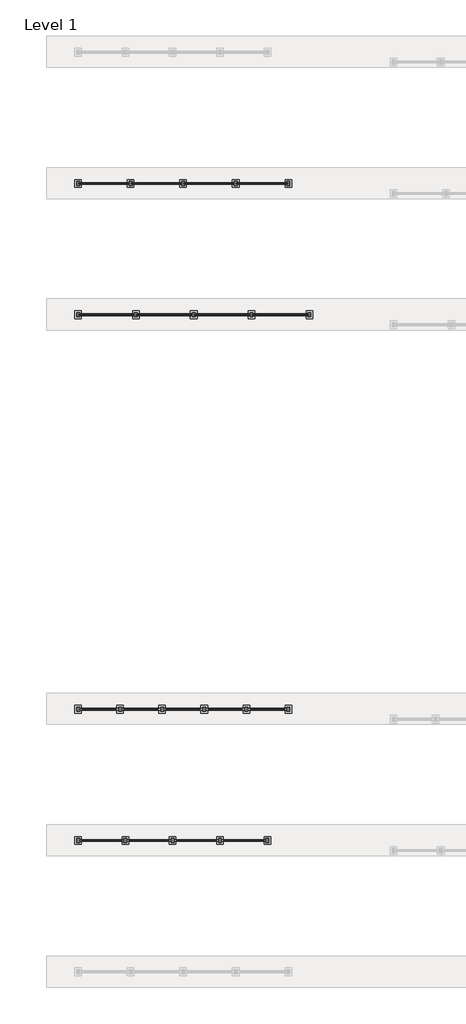
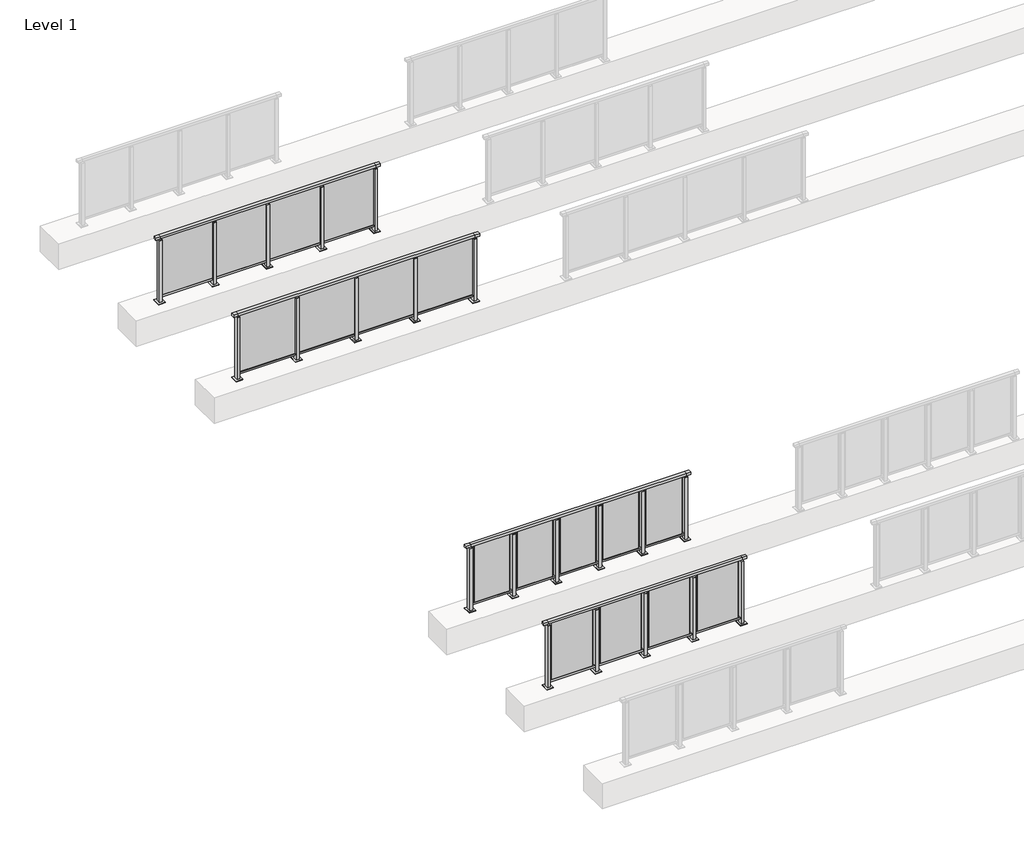
# One storey, part 32 of 38: 4 railings.
"""IFC4 building model written with IfcOpenShell, lengths in millimetres."""

from ifc_helpers import new_model, si_unit, frame, origin, origin_with_axes, place, context, project, spatial, polyline, outline, extrude, faceted_brep, element, save

model = new_model("IFC4")

# Units and contexts
model_context = context("Model", 3, world=origin())
ifc_project = project(units=[si_unit("LENGTHUNIT", "METRE", prefix="MILLI")], contexts=[model_context])

# Site, building, storey
site = spatial("IfcSite", under=ifc_project)
building = spatial("IfcBuilding", under=site)
storey = spatial("IfcBuildingStorey", under=building, Name="Level 1", Elevation=0.0)

# Railings
placement = place(None, origin())
element("IfcRailing", 1, at=placement, inside=storey, context=model_context, shape_type="SolidModel", body=[
    faceted_brep([(29476.1884576, 60220.1846828, 1252.5), (29476.1884576, 60220.1846828, 1300.0), (33876.1884576, 60220.1846828, 1300.0), (33876.1884576, 60220.1846828, 1252.5), (29476.1884576, 60160.1846828, 1252.5), (33876.1884576, 60160.1846828, 1252.5), (29476.1884576, 60160.1846828, 1300.0), (33876.1884576, 60160.1846828, 1300.0), (29388.6884576, 60220.1846828, 1300.0), (29388.6884576, 60220.1846828, 1252.5), (29388.6884576, 60160.1846828, 1252.5), (29388.6884576, 60160.1846828, 1300.0), (33963.6884576, 60220.1846828, 1300.0), (33963.6884576, 60160.1846828, 1300.0), (33963.6884576, 60160.1846828, 1252.5), (33963.6884576, 60220.1846828, 1252.5)], [[[0, 1, 2, 3]], [[4, 0, 3, 5]], [[6, 4, 5, 7]], [[1, 6, 7, 2]], [[8, 9, 10, 11]], [[9, 8, 1, 0]], [[10, 9, 0, 4]], [[11, 10, 4, 6]], [[8, 11, 6, 1]], [[12, 13, 14, 15]], [[3, 2, 12, 15]], [[5, 3, 15, 14]], [[7, 5, 14, 13]], [[2, 7, 13, 12]]]),
    extrude(outline(polyline([(29476.1884576, 60172.1846828), (29476.1884576, 60208.1846828), (33876.1884576, 60208.1846828), (33876.1884576, 60172.1846828), (29476.1884576, 60172.1846828)])), frame((0.0, 0.0, 93.0), z_axis=(0.0, 0.0, 1.0), x_axis=(1.0, 0.0, 0.0)), (0.0, 0.0, 1.0), 32.0),
    extrude(outline(polyline([(32786.1884576, 60195.9598727), (33866.1884576, 60195.9598727), (33866.1884576, 60185.9598727), (32786.1884576, 60185.9598727), (32786.1884576, 60195.9598727)])), frame((0.0, 0.0, 125.0), z_axis=(0.0, 0.0, 1.0), x_axis=(1.0, 0.0, 0.0)), (0.0, 0.0, 1.0), 1130.0),
    extrude(outline(polyline([(32803.1884576, 60151.1846828), (32749.1884576, 60151.1846828), (32749.1884576, 60229.1846828), (32803.1884576, 60229.1846828), (32803.1884576, 60151.1846828)])), frame((0.0, 0.0, 12.0), z_axis=(0.0, 0.0, 1.0), x_axis=(1.0, 0.0, 0.0)), (0.0, 0.0, 1.0), 1215.0),
    extrude(outline(polyline([(32786.1884576, 60180.1846828), (32766.1884576, 60180.1846828), (32766.1884576, 60200.1846828), (32786.1884576, 60200.1846828), (32786.1884576, 60180.1846828)])), frame((0.0, 0.0, 1235.0), z_axis=(0.0, 0.0, 1.0), x_axis=(1.0, 0.0, 0.0)), (0.0, 0.0, 1.0), 20.0),
    extrude(outline(polyline([(32803.1884576, 60151.1846828), (32749.1884576, 60151.1846828), (32749.1884576, 60229.1846828), (32803.1884576, 60229.1846828), (32803.1884576, 60151.1846828)])), frame((0.0, 0.0, 1227.0), z_axis=(0.0, 0.0, 1.0), x_axis=(1.0, 0.0, 0.0)), (0.0, 0.0, 1.0), 8.0),
    extrude(outline(polyline([(32838.6884576, 60115.1846828), (32713.6884576, 60115.1846828), (32713.6884576, 60265.1846828), (32838.6884576, 60265.1846828), (32838.6884576, 60115.1846828)])), origin_with_axes(), (0.0, 0.0, 1.0), 12.0),
    extrude(outline(polyline([(31686.1884576, 60195.9598727), (32766.1884576, 60195.9598727), (32766.1884576, 60185.9598727), (31686.1884576, 60185.9598727), (31686.1884576, 60195.9598727)])), frame((0.0, 0.0, 125.0), z_axis=(0.0, 0.0, 1.0), x_axis=(1.0, 0.0, 0.0)), (0.0, 0.0, 1.0), 1130.0),
    extrude(outline(polyline([(31703.1884576, 60151.1846828), (31649.1884576, 60151.1846828), (31649.1884576, 60229.1846828), (31703.1884576, 60229.1846828), (31703.1884576, 60151.1846828)])), frame((0.0, 0.0, 12.0), z_axis=(0.0, 0.0, 1.0), x_axis=(1.0, 0.0, 0.0)), (0.0, 0.0, 1.0), 1215.0),
    extrude(outline(polyline([(31686.1884576, 60180.1846828), (31666.1884576, 60180.1846828), (31666.1884576, 60200.1846828), (31686.1884576, 60200.1846828), (31686.1884576, 60180.1846828)])), frame((0.0, 0.0, 1235.0), z_axis=(0.0, 0.0, 1.0), x_axis=(1.0, 0.0, 0.0)), (0.0, 0.0, 1.0), 20.0),
    extrude(outline(polyline([(31703.1884576, 60151.1846828), (31649.1884576, 60151.1846828), (31649.1884576, 60229.1846828), (31703.1884576, 60229.1846828), (31703.1884576, 60151.1846828)])), frame((0.0, 0.0, 1227.0), z_axis=(0.0, 0.0, 1.0), x_axis=(1.0, 0.0, 0.0)), (0.0, 0.0, 1.0), 8.0),
    extrude(outline(polyline([(31738.6884576, 60115.1846828), (31613.6884576, 60115.1846828), (31613.6884576, 60265.1846828), (31738.6884576, 60265.1846828), (31738.6884576, 60115.1846828)])), origin_with_axes(), (0.0, 0.0, 1.0), 12.0),
    extrude(outline(polyline([(30586.1884576, 60195.9598727), (31666.1884576, 60195.9598727), (31666.1884576, 60185.9598727), (30586.1884576, 60185.9598727), (30586.1884576, 60195.9598727)])), frame((0.0, 0.0, 125.0), z_axis=(0.0, 0.0, 1.0), x_axis=(1.0, 0.0, 0.0)), (0.0, 0.0, 1.0), 1130.0),
    extrude(outline(polyline([(30603.1884576, 60151.1846828), (30549.1884576, 60151.1846828), (30549.1884576, 60229.1846828), (30603.1884576, 60229.1846828), (30603.1884576, 60151.1846828)])), frame((0.0, 0.0, 12.0), z_axis=(0.0, 0.0, 1.0), x_axis=(1.0, 0.0, 0.0)), (0.0, 0.0, 1.0), 1215.0),
    extrude(outline(polyline([(30586.1884576, 60180.1846828), (30566.1884576, 60180.1846828), (30566.1884576, 60200.1846828), (30586.1884576, 60200.1846828), (30586.1884576, 60180.1846828)])), frame((0.0, 0.0, 1235.0), z_axis=(0.0, 0.0, 1.0), x_axis=(1.0, 0.0, 0.0)), (0.0, 0.0, 1.0), 20.0),
    extrude(outline(polyline([(30603.1884576, 60151.1846828), (30549.1884576, 60151.1846828), (30549.1884576, 60229.1846828), (30603.1884576, 60229.1846828), (30603.1884576, 60151.1846828)])), frame((0.0, 0.0, 1227.0), z_axis=(0.0, 0.0, 1.0), x_axis=(1.0, 0.0, 0.0)), (0.0, 0.0, 1.0), 8.0),
    extrude(outline(polyline([(30638.6884576, 60115.1846828), (30513.6884576, 60115.1846828), (30513.6884576, 60265.1846828), (30638.6884576, 60265.1846828), (30638.6884576, 60115.1846828)])), origin_with_axes(), (0.0, 0.0, 1.0), 12.0),
    extrude(outline(polyline([(29486.1884576, 60195.9598727), (30566.1884576, 60195.9598727), (30566.1884576, 60185.9598727), (29486.1884576, 60185.9598727), (29486.1884576, 60195.9598727)])), frame((0.0, 0.0, 125.0), z_axis=(0.0, 0.0, 1.0), x_axis=(1.0, 0.0, 0.0)), (0.0, 0.0, 1.0), 1130.0),
    extrude(outline(polyline([(33903.1884576, 60151.1846828), (33849.1884576, 60151.1846828), (33849.1884576, 60229.1846828), (33903.1884576, 60229.1846828), (33903.1884576, 60151.1846828)])), frame((0.0, 0.0, 12.0), z_axis=(0.0, 0.0, 1.0), x_axis=(1.0, 0.0, 0.0)), (0.0, 0.0, 1.0), 1215.0),
    extrude(outline(polyline([(33886.1884576, 60180.1846828), (33866.1884576, 60180.1846828), (33866.1884576, 60200.1846828), (33886.1884576, 60200.1846828), (33886.1884576, 60180.1846828)])), frame((0.0, 0.0, 1235.0), z_axis=(0.0, 0.0, 1.0), x_axis=(1.0, 0.0, 0.0)), (0.0, 0.0, 1.0), 20.0),
    extrude(outline(polyline([(33903.1884576, 60151.1846828), (33849.1884576, 60151.1846828), (33849.1884576, 60229.1846828), (33903.1884576, 60229.1846828), (33903.1884576, 60151.1846828)])), frame((0.0, 0.0, 1227.0), z_axis=(0.0, 0.0, 1.0), x_axis=(1.0, 0.0, 0.0)), (0.0, 0.0, 1.0), 8.0),
    extrude(outline(polyline([(33938.6884576, 60115.1846828), (33813.6884576, 60115.1846828), (33813.6884576, 60265.1846828), (33938.6884576, 60265.1846828), (33938.6884576, 60115.1846828)])), origin_with_axes(), (0.0, 0.0, 1.0), 12.0),
    extrude(outline(polyline([(29503.1884576, 60151.1846828), (29449.1884576, 60151.1846828), (29449.1884576, 60229.1846828), (29503.1884576, 60229.1846828), (29503.1884576, 60151.1846828)])), frame((0.0, 0.0, 12.0), z_axis=(0.0, 0.0, 1.0), x_axis=(1.0, 0.0, 0.0)), (0.0, 0.0, 1.0), 1215.0),
    extrude(outline(polyline([(29486.1884576, 60180.1846828), (29466.1884576, 60180.1846828), (29466.1884576, 60200.1846828), (29486.1884576, 60200.1846828), (29486.1884576, 60180.1846828)])), frame((0.0, 0.0, 1235.0), z_axis=(0.0, 0.0, 1.0), x_axis=(1.0, 0.0, 0.0)), (0.0, 0.0, 1.0), 20.0),
    extrude(outline(polyline([(29503.1884576, 60151.1846828), (29449.1884576, 60151.1846828), (29449.1884576, 60229.1846828), (29503.1884576, 60229.1846828), (29503.1884576, 60151.1846828)])), frame((0.0, 0.0, 1227.0), z_axis=(0.0, 0.0, 1.0), x_axis=(1.0, 0.0, 0.0)), (0.0, 0.0, 1.0), 8.0),
    extrude(outline(polyline([(29538.6884576, 60115.1846828), (29413.6884576, 60115.1846828), (29413.6884576, 60265.1846828), (29538.6884576, 60265.1846828), (29538.6884576, 60115.1846828)])), origin_with_axes(), (0.0, 0.0, 1.0), 12.0),
])
element("IfcRailing", 2, at=placement, inside=storey, context=model_context, shape_type="SolidModel", body=[
    faceted_brep([(29476.1884576, 62720.1846828, 1252.5), (29476.1884576, 62720.1846828, 1300.0), (33476.1884576, 62720.1846828, 1300.0), (33476.1884576, 62720.1846828, 1252.5), (29476.1884576, 62660.1846828, 1252.5), (33476.1884576, 62660.1846828, 1252.5), (29476.1884576, 62660.1846828, 1300.0), (33476.1884576, 62660.1846828, 1300.0), (29388.6884576, 62720.1846828, 1300.0), (29388.6884576, 62720.1846828, 1252.5), (29388.6884576, 62660.1846828, 1252.5), (29388.6884576, 62660.1846828, 1300.0), (33563.6884576, 62720.1846828, 1300.0), (33563.6884576, 62660.1846828, 1300.0), (33563.6884576, 62660.1846828, 1252.5), (33563.6884576, 62720.1846828, 1252.5)], [[[0, 1, 2, 3]], [[4, 0, 3, 5]], [[6, 4, 5, 7]], [[1, 6, 7, 2]], [[8, 9, 10, 11]], [[9, 8, 1, 0]], [[10, 9, 0, 4]], [[11, 10, 4, 6]], [[8, 11, 6, 1]], [[12, 13, 14, 15]], [[3, 2, 12, 15]], [[5, 3, 15, 14]], [[7, 5, 14, 13]], [[2, 7, 13, 12]]]),
    extrude(outline(polyline([(29476.1884576, 62672.1846828), (29476.1884576, 62708.1846828), (33476.1884576, 62708.1846828), (33476.1884576, 62672.1846828), (29476.1884576, 62672.1846828)])), frame((0.0, 0.0, 93.0), z_axis=(0.0, 0.0, 1.0), x_axis=(1.0, 0.0, 0.0)), (0.0, 0.0, 1.0), 32.0),
    extrude(outline(polyline([(32486.1884576, 62690.9598727), (33466.1884576, 62690.9598727), (33466.1884576, 62680.9598727), (32486.1884576, 62680.9598727), (32486.1884576, 62690.9598727)])), frame((0.0, 0.0, 125.0), z_axis=(0.0, 0.0, 1.0), x_axis=(1.0, 0.0, 0.0)), (0.0, 0.0, 1.0), 1130.0),
    extrude(outline(polyline([(32503.1884576, 62651.1846828), (32449.1884576, 62651.1846828), (32449.1884576, 62729.1846828), (32503.1884576, 62729.1846828), (32503.1884576, 62651.1846828)])), frame((0.0, 0.0, 12.0), z_axis=(0.0, 0.0, 1.0), x_axis=(1.0, 0.0, 0.0)), (0.0, 0.0, 1.0), 1215.0),
    extrude(outline(polyline([(32486.1884576, 62680.1846828), (32466.1884576, 62680.1846828), (32466.1884576, 62700.1846828), (32486.1884576, 62700.1846828), (32486.1884576, 62680.1846828)])), frame((0.0, 0.0, 1235.0), z_axis=(0.0, 0.0, 1.0), x_axis=(1.0, 0.0, 0.0)), (0.0, 0.0, 1.0), 20.0),
    extrude(outline(polyline([(32503.1884576, 62651.1846828), (32449.1884576, 62651.1846828), (32449.1884576, 62729.1846828), (32503.1884576, 62729.1846828), (32503.1884576, 62651.1846828)])), frame((0.0, 0.0, 1227.0), z_axis=(0.0, 0.0, 1.0), x_axis=(1.0, 0.0, 0.0)), (0.0, 0.0, 1.0), 8.0),
    extrude(outline(polyline([(32538.6884576, 62615.1846828), (32413.6884576, 62615.1846828), (32413.6884576, 62765.1846828), (32538.6884576, 62765.1846828), (32538.6884576, 62615.1846828)])), origin_with_axes(), (0.0, 0.0, 1.0), 12.0),
    extrude(outline(polyline([(31486.1884576, 62690.9598727), (32466.1884576, 62690.9598727), (32466.1884576, 62680.9598727), (31486.1884576, 62680.9598727), (31486.1884576, 62690.9598727)])), frame((0.0, 0.0, 125.0), z_axis=(0.0, 0.0, 1.0), x_axis=(1.0, 0.0, 0.0)), (0.0, 0.0, 1.0), 1130.0),
    extrude(outline(polyline([(31503.1884576, 62651.1846828), (31449.1884576, 62651.1846828), (31449.1884576, 62729.1846828), (31503.1884576, 62729.1846828), (31503.1884576, 62651.1846828)])), frame((0.0, 0.0, 12.0), z_axis=(0.0, 0.0, 1.0), x_axis=(1.0, 0.0, 0.0)), (0.0, 0.0, 1.0), 1215.0),
    extrude(outline(polyline([(31486.1884576, 62680.1846828), (31466.1884576, 62680.1846828), (31466.1884576, 62700.1846828), (31486.1884576, 62700.1846828), (31486.1884576, 62680.1846828)])), frame((0.0, 0.0, 1235.0), z_axis=(0.0, 0.0, 1.0), x_axis=(1.0, 0.0, 0.0)), (0.0, 0.0, 1.0), 20.0),
    extrude(outline(polyline([(31503.1884576, 62651.1846828), (31449.1884576, 62651.1846828), (31449.1884576, 62729.1846828), (31503.1884576, 62729.1846828), (31503.1884576, 62651.1846828)])), frame((0.0, 0.0, 1227.0), z_axis=(0.0, 0.0, 1.0), x_axis=(1.0, 0.0, 0.0)), (0.0, 0.0, 1.0), 8.0),
    extrude(outline(polyline([(31538.6884576, 62615.1846828), (31413.6884576, 62615.1846828), (31413.6884576, 62765.1846828), (31538.6884576, 62765.1846828), (31538.6884576, 62615.1846828)])), origin_with_axes(), (0.0, 0.0, 1.0), 12.0),
    extrude(outline(polyline([(30486.1884576, 62690.9598727), (31466.1884576, 62690.9598727), (31466.1884576, 62680.9598727), (30486.1884576, 62680.9598727), (30486.1884576, 62690.9598727)])), frame((0.0, 0.0, 125.0), z_axis=(0.0, 0.0, 1.0), x_axis=(1.0, 0.0, 0.0)), (0.0, 0.0, 1.0), 1130.0),
    extrude(outline(polyline([(30503.1884576, 62651.1846828), (30449.1884576, 62651.1846828), (30449.1884576, 62729.1846828), (30503.1884576, 62729.1846828), (30503.1884576, 62651.1846828)])), frame((0.0, 0.0, 12.0), z_axis=(0.0, 0.0, 1.0), x_axis=(1.0, 0.0, 0.0)), (0.0, 0.0, 1.0), 1215.0),
    extrude(outline(polyline([(30486.1884576, 62680.1846828), (30466.1884576, 62680.1846828), (30466.1884576, 62700.1846828), (30486.1884576, 62700.1846828), (30486.1884576, 62680.1846828)])), frame((0.0, 0.0, 1235.0), z_axis=(0.0, 0.0, 1.0), x_axis=(1.0, 0.0, 0.0)), (0.0, 0.0, 1.0), 20.0),
    extrude(outline(polyline([(30503.1884576, 62651.1846828), (30449.1884576, 62651.1846828), (30449.1884576, 62729.1846828), (30503.1884576, 62729.1846828), (30503.1884576, 62651.1846828)])), frame((0.0, 0.0, 1227.0), z_axis=(0.0, 0.0, 1.0), x_axis=(1.0, 0.0, 0.0)), (0.0, 0.0, 1.0), 8.0),
    extrude(outline(polyline([(30538.6884576, 62615.1846828), (30413.6884576, 62615.1846828), (30413.6884576, 62765.1846828), (30538.6884576, 62765.1846828), (30538.6884576, 62615.1846828)])), origin_with_axes(), (0.0, 0.0, 1.0), 12.0),
    extrude(outline(polyline([(29486.1884576, 62690.9598727), (30466.1884576, 62690.9598727), (30466.1884576, 62680.9598727), (29486.1884576, 62680.9598727), (29486.1884576, 62690.9598727)])), frame((0.0, 0.0, 125.0), z_axis=(0.0, 0.0, 1.0), x_axis=(1.0, 0.0, 0.0)), (0.0, 0.0, 1.0), 1130.0),
    extrude(outline(polyline([(33503.1884576, 62651.1846828), (33449.1884576, 62651.1846828), (33449.1884576, 62729.1846828), (33503.1884576, 62729.1846828), (33503.1884576, 62651.1846828)])), frame((0.0, 0.0, 12.0), z_axis=(0.0, 0.0, 1.0), x_axis=(1.0, 0.0, 0.0)), (0.0, 0.0, 1.0), 1215.0),
    extrude(outline(polyline([(33486.1884576, 62680.1846828), (33466.1884576, 62680.1846828), (33466.1884576, 62700.1846828), (33486.1884576, 62700.1846828), (33486.1884576, 62680.1846828)])), frame((0.0, 0.0, 1235.0), z_axis=(0.0, 0.0, 1.0), x_axis=(1.0, 0.0, 0.0)), (0.0, 0.0, 1.0), 20.0),
    extrude(outline(polyline([(33503.1884576, 62651.1846828), (33449.1884576, 62651.1846828), (33449.1884576, 62729.1846828), (33503.1884576, 62729.1846828), (33503.1884576, 62651.1846828)])), frame((0.0, 0.0, 1227.0), z_axis=(0.0, 0.0, 1.0), x_axis=(1.0, 0.0, 0.0)), (0.0, 0.0, 1.0), 8.0),
    extrude(outline(polyline([(33538.6884576, 62615.1846828), (33413.6884576, 62615.1846828), (33413.6884576, 62765.1846828), (33538.6884576, 62765.1846828), (33538.6884576, 62615.1846828)])), origin_with_axes(), (0.0, 0.0, 1.0), 12.0),
    extrude(outline(polyline([(29503.1884576, 62651.1846828), (29449.1884576, 62651.1846828), (29449.1884576, 62729.1846828), (29503.1884576, 62729.1846828), (29503.1884576, 62651.1846828)])), frame((0.0, 0.0, 12.0), z_axis=(0.0, 0.0, 1.0), x_axis=(1.0, 0.0, 0.0)), (0.0, 0.0, 1.0), 1215.0),
    extrude(outline(polyline([(29486.1884576, 62680.1846828), (29466.1884576, 62680.1846828), (29466.1884576, 62700.1846828), (29486.1884576, 62700.1846828), (29486.1884576, 62680.1846828)])), frame((0.0, 0.0, 1235.0), z_axis=(0.0, 0.0, 1.0), x_axis=(1.0, 0.0, 0.0)), (0.0, 0.0, 1.0), 20.0),
    extrude(outline(polyline([(29503.1884576, 62651.1846828), (29449.1884576, 62651.1846828), (29449.1884576, 62729.1846828), (29503.1884576, 62729.1846828), (29503.1884576, 62651.1846828)])), frame((0.0, 0.0, 1227.0), z_axis=(0.0, 0.0, 1.0), x_axis=(1.0, 0.0, 0.0)), (0.0, 0.0, 1.0), 8.0),
    extrude(outline(polyline([(29538.6884576, 62615.1846828), (29413.6884576, 62615.1846828), (29413.6884576, 62765.1846828), (29538.6884576, 62765.1846828), (29538.6884576, 62615.1846828)])), origin_with_axes(), (0.0, 0.0, 1.0), 12.0),
])
element("IfcRailing", 3, at=placement, inside=storey, context=model_context, shape_type="SolidModel", body=[
    faceted_brep([(29476.1884576, 50220.1846828, 1252.5), (29476.1884576, 50220.1846828, 1300.0), (33076.1884576, 50220.1846828, 1300.0), (33076.1884576, 50220.1846828, 1252.5), (29476.1884576, 50160.1846828, 1252.5), (33076.1884576, 50160.1846828, 1252.5), (29476.1884576, 50160.1846828, 1300.0), (33076.1884576, 50160.1846828, 1300.0), (29388.6884576, 50220.1846828, 1300.0), (29388.6884576, 50220.1846828, 1252.5), (29388.6884576, 50160.1846828, 1252.5), (29388.6884576, 50160.1846828, 1300.0), (33163.6884576, 50220.1846828, 1300.0), (33163.6884576, 50160.1846828, 1300.0), (33163.6884576, 50160.1846828, 1252.5), (33163.6884576, 50220.1846828, 1252.5)], [[[0, 1, 2, 3]], [[4, 0, 3, 5]], [[6, 4, 5, 7]], [[1, 6, 7, 2]], [[8, 9, 10, 11]], [[9, 8, 1, 0]], [[10, 9, 0, 4]], [[11, 10, 4, 6]], [[8, 11, 6, 1]], [[12, 13, 14, 15]], [[3, 2, 12, 15]], [[5, 3, 15, 14]], [[7, 5, 14, 13]], [[2, 7, 13, 12]]]),
    extrude(outline(polyline([(29476.1884576, 50172.1846828), (29476.1884576, 50208.1846828), (33076.1884576, 50208.1846828), (33076.1884576, 50172.1846828), (29476.1884576, 50172.1846828)])), frame((0.0, 0.0, 93.0), z_axis=(0.0, 0.0, 1.0), x_axis=(1.0, 0.0, 0.0)), (0.0, 0.0, 1.0), 32.0),
    extrude(outline(polyline([(32248.6884576, 50193.9598727), (33003.6884576, 50193.9598727), (33003.6884576, 50183.9598727), (32248.6884576, 50183.9598727), (32248.6884576, 50193.9598727)])), frame((0.0, 0.0, 125.0), z_axis=(0.0, 0.0, 1.0), x_axis=(1.0, 0.0, 0.0)), (0.0, 0.0, 1.0), 1130.0),
    extrude(outline(polyline([(32203.1884576, 50151.1846828), (32149.1884576, 50151.1846828), (32149.1884576, 50229.1846828), (32203.1884576, 50229.1846828), (32203.1884576, 50151.1846828)])), frame((0.0, 0.0, 12.0), z_axis=(0.0, 0.0, 1.0), x_axis=(1.0, 0.0, 0.0)), (0.0, 0.0, 1.0), 1215.0),
    extrude(outline(polyline([(32186.1884576, 50180.1846828), (32166.1884576, 50180.1846828), (32166.1884576, 50200.1846828), (32186.1884576, 50200.1846828), (32186.1884576, 50180.1846828)])), frame((0.0, 0.0, 1235.0), z_axis=(0.0, 0.0, 1.0), x_axis=(1.0, 0.0, 0.0)), (0.0, 0.0, 1.0), 20.0),
    extrude(outline(polyline([(32203.1884576, 50151.1846828), (32149.1884576, 50151.1846828), (32149.1884576, 50229.1846828), (32203.1884576, 50229.1846828), (32203.1884576, 50151.1846828)])), frame((0.0, 0.0, 1227.0), z_axis=(0.0, 0.0, 1.0), x_axis=(1.0, 0.0, 0.0)), (0.0, 0.0, 1.0), 8.0),
    extrude(outline(polyline([(32238.6884576, 50115.1846828), (32113.6884576, 50115.1846828), (32113.6884576, 50265.1846828), (32238.6884576, 50265.1846828), (32238.6884576, 50115.1846828)])), origin_with_axes(), (0.0, 0.0, 1.0), 12.0),
    extrude(outline(polyline([(31348.6884576, 50193.9598727), (32103.6884576, 50193.9598727), (32103.6884576, 50183.9598727), (31348.6884576, 50183.9598727), (31348.6884576, 50193.9598727)])), frame((0.0, 0.0, 125.0), z_axis=(0.0, 0.0, 1.0), x_axis=(1.0, 0.0, 0.0)), (0.0, 0.0, 1.0), 1130.0),
    extrude(outline(polyline([(31303.1884576, 50151.1846828), (31249.1884576, 50151.1846828), (31249.1884576, 50229.1846828), (31303.1884576, 50229.1846828), (31303.1884576, 50151.1846828)])), frame((0.0, 0.0, 12.0), z_axis=(0.0, 0.0, 1.0), x_axis=(1.0, 0.0, 0.0)), (0.0, 0.0, 1.0), 1215.0),
    extrude(outline(polyline([(31286.1884576, 50180.1846828), (31266.1884576, 50180.1846828), (31266.1884576, 50200.1846828), (31286.1884576, 50200.1846828), (31286.1884576, 50180.1846828)])), frame((0.0, 0.0, 1235.0), z_axis=(0.0, 0.0, 1.0), x_axis=(1.0, 0.0, 0.0)), (0.0, 0.0, 1.0), 20.0),
    extrude(outline(polyline([(31303.1884576, 50151.1846828), (31249.1884576, 50151.1846828), (31249.1884576, 50229.1846828), (31303.1884576, 50229.1846828), (31303.1884576, 50151.1846828)])), frame((0.0, 0.0, 1227.0), z_axis=(0.0, 0.0, 1.0), x_axis=(1.0, 0.0, 0.0)), (0.0, 0.0, 1.0), 8.0),
    extrude(outline(polyline([(31338.6884576, 50115.1846828), (31213.6884576, 50115.1846828), (31213.6884576, 50265.1846828), (31338.6884576, 50265.1846828), (31338.6884576, 50115.1846828)])), origin_with_axes(), (0.0, 0.0, 1.0), 12.0),
    extrude(outline(polyline([(30448.6884576, 50193.9598727), (31203.6884576, 50193.9598727), (31203.6884576, 50183.9598727), (30448.6884576, 50183.9598727), (30448.6884576, 50193.9598727)])), frame((0.0, 0.0, 125.0), z_axis=(0.0, 0.0, 1.0), x_axis=(1.0, 0.0, 0.0)), (0.0, 0.0, 1.0), 1130.0),
    extrude(outline(polyline([(30403.1884576, 50151.1846828), (30349.1884576, 50151.1846828), (30349.1884576, 50229.1846828), (30403.1884576, 50229.1846828), (30403.1884576, 50151.1846828)])), frame((0.0, 0.0, 12.0), z_axis=(0.0, 0.0, 1.0), x_axis=(1.0, 0.0, 0.0)), (0.0, 0.0, 1.0), 1215.0),
    extrude(outline(polyline([(30386.1884576, 50180.1846828), (30366.1884576, 50180.1846828), (30366.1884576, 50200.1846828), (30386.1884576, 50200.1846828), (30386.1884576, 50180.1846828)])), frame((0.0, 0.0, 1235.0), z_axis=(0.0, 0.0, 1.0), x_axis=(1.0, 0.0, 0.0)), (0.0, 0.0, 1.0), 20.0),
    extrude(outline(polyline([(30403.1884576, 50151.1846828), (30349.1884576, 50151.1846828), (30349.1884576, 50229.1846828), (30403.1884576, 50229.1846828), (30403.1884576, 50151.1846828)])), frame((0.0, 0.0, 1227.0), z_axis=(0.0, 0.0, 1.0), x_axis=(1.0, 0.0, 0.0)), (0.0, 0.0, 1.0), 8.0),
    extrude(outline(polyline([(30438.6884576, 50115.1846828), (30313.6884576, 50115.1846828), (30313.6884576, 50265.1846828), (30438.6884576, 50265.1846828), (30438.6884576, 50115.1846828)])), origin_with_axes(), (0.0, 0.0, 1.0), 12.0),
    extrude(outline(polyline([(29548.6884576, 50193.9598727), (30303.6884576, 50193.9598727), (30303.6884576, 50183.9598727), (29548.6884576, 50183.9598727), (29548.6884576, 50193.9598727)])), frame((0.0, 0.0, 125.0), z_axis=(0.0, 0.0, 1.0), x_axis=(1.0, 0.0, 0.0)), (0.0, 0.0, 1.0), 1130.0),
    extrude(outline(polyline([(33103.1884576, 50151.1846828), (33049.1884576, 50151.1846828), (33049.1884576, 50229.1846828), (33103.1884576, 50229.1846828), (33103.1884576, 50151.1846828)])), frame((0.0, 0.0, 12.0), z_axis=(0.0, 0.0, 1.0), x_axis=(1.0, 0.0, 0.0)), (0.0, 0.0, 1.0), 1215.0),
    extrude(outline(polyline([(33086.1884576, 50180.1846828), (33066.1884576, 50180.1846828), (33066.1884576, 50200.1846828), (33086.1884576, 50200.1846828), (33086.1884576, 50180.1846828)])), frame((0.0, 0.0, 1235.0), z_axis=(0.0, 0.0, 1.0), x_axis=(1.0, 0.0, 0.0)), (0.0, 0.0, 1.0), 20.0),
    extrude(outline(polyline([(33103.1884576, 50151.1846828), (33049.1884576, 50151.1846828), (33049.1884576, 50229.1846828), (33103.1884576, 50229.1846828), (33103.1884576, 50151.1846828)])), frame((0.0, 0.0, 1227.0), z_axis=(0.0, 0.0, 1.0), x_axis=(1.0, 0.0, 0.0)), (0.0, 0.0, 1.0), 8.0),
    extrude(outline(polyline([(33138.6884576, 50115.1846828), (33013.6884576, 50115.1846828), (33013.6884576, 50265.1846828), (33138.6884576, 50265.1846828), (33138.6884576, 50115.1846828)])), origin_with_axes(), (0.0, 0.0, 1.0), 12.0),
    extrude(outline(polyline([(29503.1884576, 50151.1846828), (29449.1884576, 50151.1846828), (29449.1884576, 50229.1846828), (29503.1884576, 50229.1846828), (29503.1884576, 50151.1846828)])), frame((0.0, 0.0, 12.0), z_axis=(0.0, 0.0, 1.0), x_axis=(1.0, 0.0, 0.0)), (0.0, 0.0, 1.0), 1215.0),
    extrude(outline(polyline([(29486.1884576, 50180.1846828), (29466.1884576, 50180.1846828), (29466.1884576, 50200.1846828), (29486.1884576, 50200.1846828), (29486.1884576, 50180.1846828)])), frame((0.0, 0.0, 1235.0), z_axis=(0.0, 0.0, 1.0), x_axis=(1.0, 0.0, 0.0)), (0.0, 0.0, 1.0), 20.0),
    extrude(outline(polyline([(29503.1884576, 50151.1846828), (29449.1884576, 50151.1846828), (29449.1884576, 50229.1846828), (29503.1884576, 50229.1846828), (29503.1884576, 50151.1846828)])), frame((0.0, 0.0, 1227.0), z_axis=(0.0, 0.0, 1.0), x_axis=(1.0, 0.0, 0.0)), (0.0, 0.0, 1.0), 8.0),
    extrude(outline(polyline([(29538.6884576, 50115.1846828), (29413.6884576, 50115.1846828), (29413.6884576, 50265.1846828), (29538.6884576, 50265.1846828), (29538.6884576, 50115.1846828)])), origin_with_axes(), (0.0, 0.0, 1.0), 12.0),
])
element("IfcRailing", 4, at=placement, inside=storey, context=model_context, shape_type="SolidModel", body=[
    faceted_brep([(29476.1884576, 52720.1846828, 1252.5), (29476.1884576, 52720.1846828, 1300.0), (33476.1884576, 52720.1846828, 1300.0), (33476.1884576, 52720.1846828, 1252.5), (29476.1884576, 52660.1846828, 1252.5), (33476.1884576, 52660.1846828, 1252.5), (29476.1884576, 52660.1846828, 1300.0), (33476.1884576, 52660.1846828, 1300.0), (29388.6884576, 52720.1846828, 1300.0), (29388.6884576, 52720.1846828, 1252.5), (29388.6884576, 52660.1846828, 1252.5), (29388.6884576, 52660.1846828, 1300.0), (33563.6884576, 52720.1846828, 1300.0), (33563.6884576, 52660.1846828, 1300.0), (33563.6884576, 52660.1846828, 1252.5), (33563.6884576, 52720.1846828, 1252.5)], [[[0, 1, 2, 3]], [[4, 0, 3, 5]], [[6, 4, 5, 7]], [[1, 6, 7, 2]], [[8, 9, 10, 11]], [[9, 8, 1, 0]], [[10, 9, 0, 4]], [[11, 10, 4, 6]], [[8, 11, 6, 1]], [[12, 13, 14, 15]], [[3, 2, 12, 15]], [[5, 3, 15, 14]], [[7, 5, 14, 13]], [[2, 7, 13, 12]]]),
    extrude(outline(polyline([(29476.1884576, 52672.1846828), (29476.1884576, 52708.1846828), (33476.1884576, 52708.1846828), (33476.1884576, 52672.1846828), (29476.1884576, 52672.1846828)])), frame((0.0, 0.0, 93.0), z_axis=(0.0, 0.0, 1.0), x_axis=(1.0, 0.0, 0.0)), (0.0, 0.0, 1.0), 32.0),
    extrude(outline(polyline([(32748.6884576, 52693.9598727), (33403.6884576, 52693.9598727), (33403.6884576, 52683.9598727), (32748.6884576, 52683.9598727), (32748.6884576, 52693.9598727)])), frame((0.0, 0.0, 125.0), z_axis=(0.0, 0.0, 1.0), x_axis=(1.0, 0.0, 0.0)), (0.0, 0.0, 1.0), 1130.0),
    extrude(outline(polyline([(32703.1884576, 52651.1846828), (32649.1884576, 52651.1846828), (32649.1884576, 52729.1846828), (32703.1884576, 52729.1846828), (32703.1884576, 52651.1846828)])), frame((0.0, 0.0, 12.0), z_axis=(0.0, 0.0, 1.0), x_axis=(1.0, 0.0, 0.0)), (0.0, 0.0, 1.0), 1215.0),
    extrude(outline(polyline([(32686.1884576, 52680.1846828), (32666.1884576, 52680.1846828), (32666.1884576, 52700.1846828), (32686.1884576, 52700.1846828), (32686.1884576, 52680.1846828)])), frame((0.0, 0.0, 1235.0), z_axis=(0.0, 0.0, 1.0), x_axis=(1.0, 0.0, 0.0)), (0.0, 0.0, 1.0), 20.0),
    extrude(outline(polyline([(32703.1884576, 52651.1846828), (32649.1884576, 52651.1846828), (32649.1884576, 52729.1846828), (32703.1884576, 52729.1846828), (32703.1884576, 52651.1846828)])), frame((0.0, 0.0, 1227.0), z_axis=(0.0, 0.0, 1.0), x_axis=(1.0, 0.0, 0.0)), (0.0, 0.0, 1.0), 8.0),
    extrude(outline(polyline([(32738.6884576, 52615.1846828), (32613.6884576, 52615.1846828), (32613.6884576, 52765.1846828), (32738.6884576, 52765.1846828), (32738.6884576, 52615.1846828)])), origin_with_axes(), (0.0, 0.0, 1.0), 12.0),
    extrude(outline(polyline([(31948.6884576, 52693.9598727), (32603.6884576, 52693.9598727), (32603.6884576, 52683.9598727), (31948.6884576, 52683.9598727), (31948.6884576, 52693.9598727)])), frame((0.0, 0.0, 125.0), z_axis=(0.0, 0.0, 1.0), x_axis=(1.0, 0.0, 0.0)), (0.0, 0.0, 1.0), 1130.0),
    extrude(outline(polyline([(31903.1884576, 52651.1846828), (31849.1884576, 52651.1846828), (31849.1884576, 52729.1846828), (31903.1884576, 52729.1846828), (31903.1884576, 52651.1846828)])), frame((0.0, 0.0, 12.0), z_axis=(0.0, 0.0, 1.0), x_axis=(1.0, 0.0, 0.0)), (0.0, 0.0, 1.0), 1215.0),
    extrude(outline(polyline([(31886.1884576, 52680.1846828), (31866.1884576, 52680.1846828), (31866.1884576, 52700.1846828), (31886.1884576, 52700.1846828), (31886.1884576, 52680.1846828)])), frame((0.0, 0.0, 1235.0), z_axis=(0.0, 0.0, 1.0), x_axis=(1.0, 0.0, 0.0)), (0.0, 0.0, 1.0), 20.0),
    extrude(outline(polyline([(31903.1884576, 52651.1846828), (31849.1884576, 52651.1846828), (31849.1884576, 52729.1846828), (31903.1884576, 52729.1846828), (31903.1884576, 52651.1846828)])), frame((0.0, 0.0, 1227.0), z_axis=(0.0, 0.0, 1.0), x_axis=(1.0, 0.0, 0.0)), (0.0, 0.0, 1.0), 8.0),
    extrude(outline(polyline([(31938.6884576, 52615.1846828), (31813.6884576, 52615.1846828), (31813.6884576, 52765.1846828), (31938.6884576, 52765.1846828), (31938.6884576, 52615.1846828)])), origin_with_axes(), (0.0, 0.0, 1.0), 12.0),
    extrude(outline(polyline([(31148.6884576, 52693.9598727), (31803.6884576, 52693.9598727), (31803.6884576, 52683.9598727), (31148.6884576, 52683.9598727), (31148.6884576, 52693.9598727)])), frame((0.0, 0.0, 125.0), z_axis=(0.0, 0.0, 1.0), x_axis=(1.0, 0.0, 0.0)), (0.0, 0.0, 1.0), 1130.0),
    extrude(outline(polyline([(31103.1884576, 52651.1846828), (31049.1884576, 52651.1846828), (31049.1884576, 52729.1846828), (31103.1884576, 52729.1846828), (31103.1884576, 52651.1846828)])), frame((0.0, 0.0, 12.0), z_axis=(0.0, 0.0, 1.0), x_axis=(1.0, 0.0, 0.0)), (0.0, 0.0, 1.0), 1215.0),
    extrude(outline(polyline([(31086.1884576, 52680.1846828), (31066.1884576, 52680.1846828), (31066.1884576, 52700.1846828), (31086.1884576, 52700.1846828), (31086.1884576, 52680.1846828)])), frame((0.0, 0.0, 1235.0), z_axis=(0.0, 0.0, 1.0), x_axis=(1.0, 0.0, 0.0)), (0.0, 0.0, 1.0), 20.0),
    extrude(outline(polyline([(31103.1884576, 52651.1846828), (31049.1884576, 52651.1846828), (31049.1884576, 52729.1846828), (31103.1884576, 52729.1846828), (31103.1884576, 52651.1846828)])), frame((0.0, 0.0, 1227.0), z_axis=(0.0, 0.0, 1.0), x_axis=(1.0, 0.0, 0.0)), (0.0, 0.0, 1.0), 8.0),
    extrude(outline(polyline([(31138.6884576, 52615.1846828), (31013.6884576, 52615.1846828), (31013.6884576, 52765.1846828), (31138.6884576, 52765.1846828), (31138.6884576, 52615.1846828)])), origin_with_axes(), (0.0, 0.0, 1.0), 12.0),
    extrude(outline(polyline([(30348.6884576, 52693.9598727), (31003.6884576, 52693.9598727), (31003.6884576, 52683.9598727), (30348.6884576, 52683.9598727), (30348.6884576, 52693.9598727)])), frame((0.0, 0.0, 125.0), z_axis=(0.0, 0.0, 1.0), x_axis=(1.0, 0.0, 0.0)), (0.0, 0.0, 1.0), 1130.0),
    extrude(outline(polyline([(30303.1884576, 52651.1846828), (30249.1884576, 52651.1846828), (30249.1884576, 52729.1846828), (30303.1884576, 52729.1846828), (30303.1884576, 52651.1846828)])), frame((0.0, 0.0, 12.0), z_axis=(0.0, 0.0, 1.0), x_axis=(1.0, 0.0, 0.0)), (0.0, 0.0, 1.0), 1215.0),
    extrude(outline(polyline([(30286.1884576, 52680.1846828), (30266.1884576, 52680.1846828), (30266.1884576, 52700.1846828), (30286.1884576, 52700.1846828), (30286.1884576, 52680.1846828)])), frame((0.0, 0.0, 1235.0), z_axis=(0.0, 0.0, 1.0), x_axis=(1.0, 0.0, 0.0)), (0.0, 0.0, 1.0), 20.0),
    extrude(outline(polyline([(30303.1884576, 52651.1846828), (30249.1884576, 52651.1846828), (30249.1884576, 52729.1846828), (30303.1884576, 52729.1846828), (30303.1884576, 52651.1846828)])), frame((0.0, 0.0, 1227.0), z_axis=(0.0, 0.0, 1.0), x_axis=(1.0, 0.0, 0.0)), (0.0, 0.0, 1.0), 8.0),
    extrude(outline(polyline([(30338.6884576, 52615.1846828), (30213.6884576, 52615.1846828), (30213.6884576, 52765.1846828), (30338.6884576, 52765.1846828), (30338.6884576, 52615.1846828)])), origin_with_axes(), (0.0, 0.0, 1.0), 12.0),
    extrude(outline(polyline([(29548.6884576, 52693.9598727), (30203.6884576, 52693.9598727), (30203.6884576, 52683.9598727), (29548.6884576, 52683.9598727), (29548.6884576, 52693.9598727)])), frame((0.0, 0.0, 125.0), z_axis=(0.0, 0.0, 1.0), x_axis=(1.0, 0.0, 0.0)), (0.0, 0.0, 1.0), 1130.0),
    extrude(outline(polyline([(33503.1884576, 52651.1846828), (33449.1884576, 52651.1846828), (33449.1884576, 52729.1846828), (33503.1884576, 52729.1846828), (33503.1884576, 52651.1846828)])), frame((0.0, 0.0, 12.0), z_axis=(0.0, 0.0, 1.0), x_axis=(1.0, 0.0, 0.0)), (0.0, 0.0, 1.0), 1215.0),
    extrude(outline(polyline([(33486.1884576, 52680.1846828), (33466.1884576, 52680.1846828), (33466.1884576, 52700.1846828), (33486.1884576, 52700.1846828), (33486.1884576, 52680.1846828)])), frame((0.0, 0.0, 1235.0), z_axis=(0.0, 0.0, 1.0), x_axis=(1.0, 0.0, 0.0)), (0.0, 0.0, 1.0), 20.0),
    extrude(outline(polyline([(33503.1884576, 52651.1846828), (33449.1884576, 52651.1846828), (33449.1884576, 52729.1846828), (33503.1884576, 52729.1846828), (33503.1884576, 52651.1846828)])), frame((0.0, 0.0, 1227.0), z_axis=(0.0, 0.0, 1.0), x_axis=(1.0, 0.0, 0.0)), (0.0, 0.0, 1.0), 8.0),
    extrude(outline(polyline([(33538.6884576, 52615.1846828), (33413.6884576, 52615.1846828), (33413.6884576, 52765.1846828), (33538.6884576, 52765.1846828), (33538.6884576, 52615.1846828)])), origin_with_axes(), (0.0, 0.0, 1.0), 12.0),
    extrude(outline(polyline([(29503.1884576, 52651.1846828), (29449.1884576, 52651.1846828), (29449.1884576, 52729.1846828), (29503.1884576, 52729.1846828), (29503.1884576, 52651.1846828)])), frame((0.0, 0.0, 12.0), z_axis=(0.0, 0.0, 1.0), x_axis=(1.0, 0.0, 0.0)), (0.0, 0.0, 1.0), 1215.0),
    extrude(outline(polyline([(29486.1884576, 52680.1846828), (29466.1884576, 52680.1846828), (29466.1884576, 52700.1846828), (29486.1884576, 52700.1846828), (29486.1884576, 52680.1846828)])), frame((0.0, 0.0, 1235.0), z_axis=(0.0, 0.0, 1.0), x_axis=(1.0, 0.0, 0.0)), (0.0, 0.0, 1.0), 20.0),
    extrude(outline(polyline([(29503.1884576, 52651.1846828), (29449.1884576, 52651.1846828), (29449.1884576, 52729.1846828), (29503.1884576, 52729.1846828), (29503.1884576, 52651.1846828)])), frame((0.0, 0.0, 1227.0), z_axis=(0.0, 0.0, 1.0), x_axis=(1.0, 0.0, 0.0)), (0.0, 0.0, 1.0), 8.0),
    extrude(outline(polyline([(29538.6884576, 52615.1846828), (29413.6884576, 52615.1846828), (29413.6884576, 52765.1846828), (29538.6884576, 52765.1846828), (29538.6884576, 52615.1846828)])), origin_with_axes(), (0.0, 0.0, 1.0), 12.0),
])

save(model, "model.ifc")
